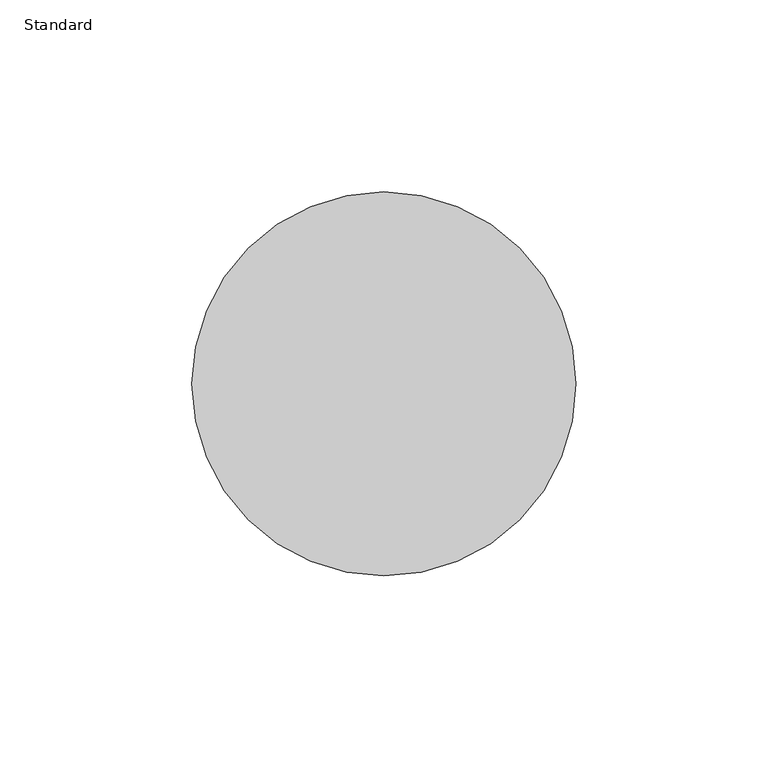
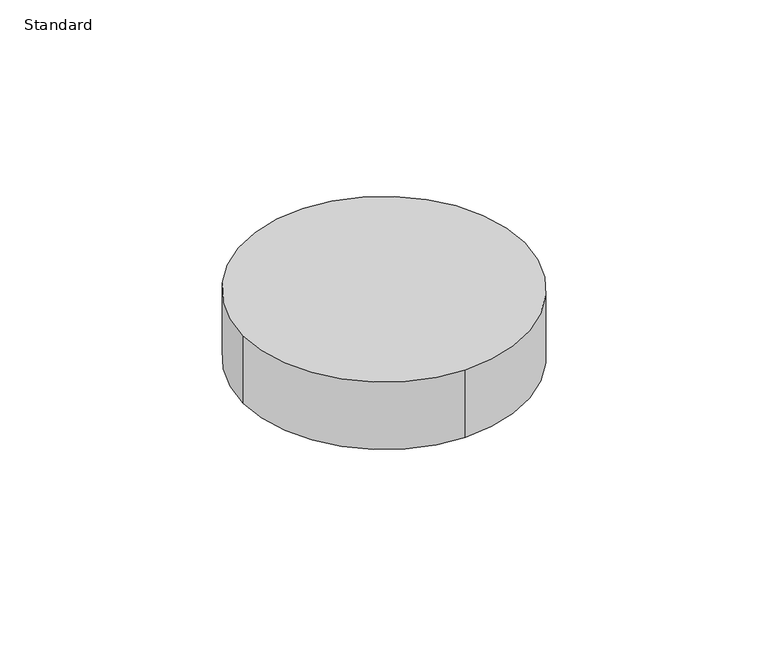
"""IFC4 building model written with IfcOpenShell, lengths in millimetres: geographic element geometry, Standard."""

from ifc_helpers import new_model, si_unit, point, origin, origin_with_axes, origin_2d, place, context, project, spatial, circle_curve, trimmed, segment, composite_curve, outline, extrude, source, transform, mapped, element, save


def standard_578acffa(model_context):
    return source(origin(), model_context, "Body", "SweptSolid", [
        extrude(outline(composite_curve([segment(trimmed(circle_curve(origin_2d(), 50.0), [point((50.0, 0.0))], [point((0.0, -50.0))], False, "CARTESIAN"), True, "CONTINUOUS"), segment(trimmed(circle_curve(origin_2d(), 50.0), [point((0.0, -50.0))], [point((-50.0, 0.0))], False, "CARTESIAN"), True, "CONTINUOUS"), segment(trimmed(circle_curve(origin_2d(), 50.0), [point((-50.0, 0.0))], [point((0.0, 50.0))], False, "CARTESIAN"), True, "CONTINUOUS"), segment(trimmed(circle_curve(origin_2d(), 50.0), [point((0.0, 50.0))], [point((50.0, 0.0))], False, "CARTESIAN"), True, "CONTINUOUS")], self_intersect=False)), origin_with_axes(), (0.0, 0.0, 1.0), 25.4),
    ])


if __name__ == "__main__":
    model = new_model("IFC4")
    model_context = context("Model", 3, world=origin())
    ifc_project = project(units=[si_unit("LENGTHUNIT", "METRE", prefix="MILLI")], contexts=[model_context])
    site = spatial("IfcSite", under=ifc_project)
    building = spatial("IfcBuilding", under=site)
    placement = place(None, origin())
    standard_shape = standard_578acffa(model_context)
    element("IfcGeographicElement", 1, ObjectType="Standard", at=placement, inside=building, context=model_context, shape_type="MappedRepresentation", body=[
        mapped(standard_shape, transform((0.0, 0.0, 0.0), x_axis=(1.0, 0.0, 0.0), y_axis=(0.0, 1.0, 0.0), z_axis=(0.0, 0.0, 1.0))),
    ])
    save(model, "model.ifc")
